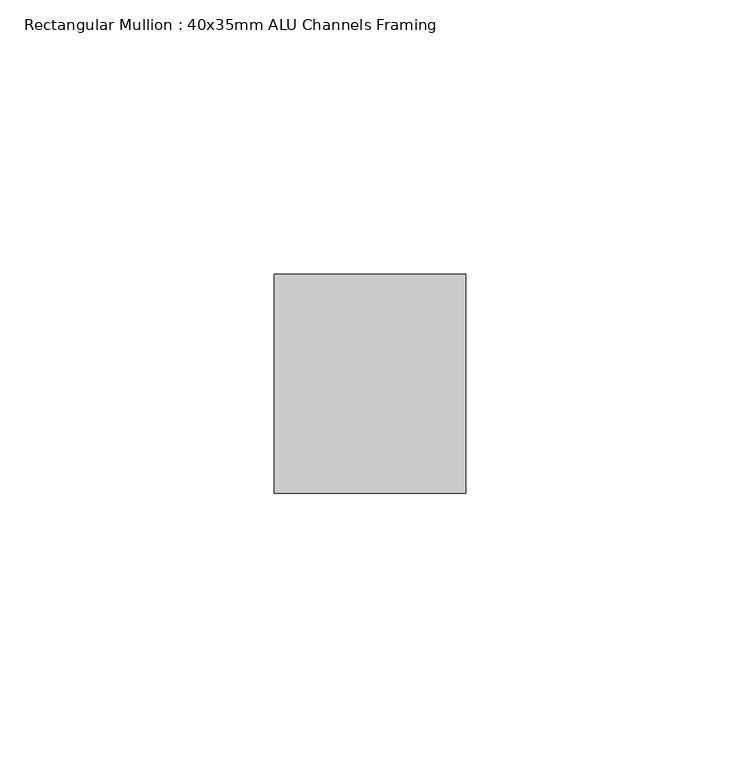
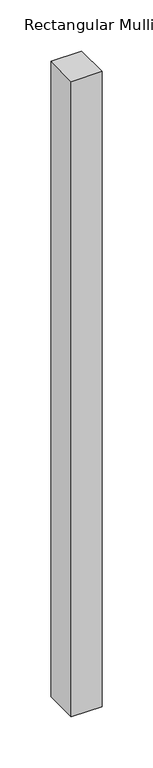
"""IFC4 building model written with IfcOpenShell, lengths in millimetres: member geometry, Rectangular Mullion : 40x35mm ALU Channels Framing."""

from ifc_helpers import new_model, si_unit, frame, origin, place, context, project, spatial, polyline, outline, extrude, source, transform, mapped, element, save


def rectangular_mullion_40x35mm_alu_channels_framing_f303a846(model_context):
    return source(origin(), model_context, "Body", "SweptSolid", [
        extrude(outline(polyline([(17.5, 20.0), (17.5, -20.0), (-17.5, -20.0), (-17.5, 20.0), (17.5, 20.0)])), frame((0.0, 0.0, -760.0), z_axis=(0.0, 0.0, 1.0), x_axis=(1.0, 0.0, 0.0)), (0.0, 0.0, 1.0), 760.0),
    ])


if __name__ == "__main__":
    model = new_model("IFC4")
    model_context = context("Model", 3, world=origin())
    ifc_project = project(units=[si_unit("LENGTHUNIT", "METRE", prefix="MILLI")], contexts=[model_context])
    site = spatial("IfcSite", under=ifc_project)
    building = spatial("IfcBuilding", under=site)
    placement = place(None, origin())
    rectangular_mullion_40x35mm_alu_channels_framing_shape = rectangular_mullion_40x35mm_alu_channels_framing_f303a846(model_context)
    element("IfcMember", 1, ObjectType="Rectangular Mullion : 40x35mm ALU Channels Framing", at=placement, inside=building, context=model_context, shape_type="MappedRepresentation", body=[
        mapped(rectangular_mullion_40x35mm_alu_channels_framing_shape, transform((0.0, 0.0, 0.0), x_axis=(1.0, 0.0, 0.0), y_axis=(0.0, 1.0, 0.0), z_axis=(0.0, 0.0, 1.0))),
    ])
    save(model, "model.ifc")
